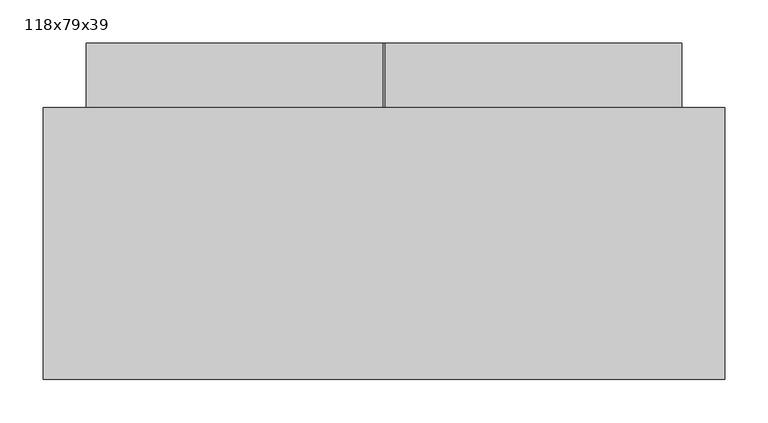
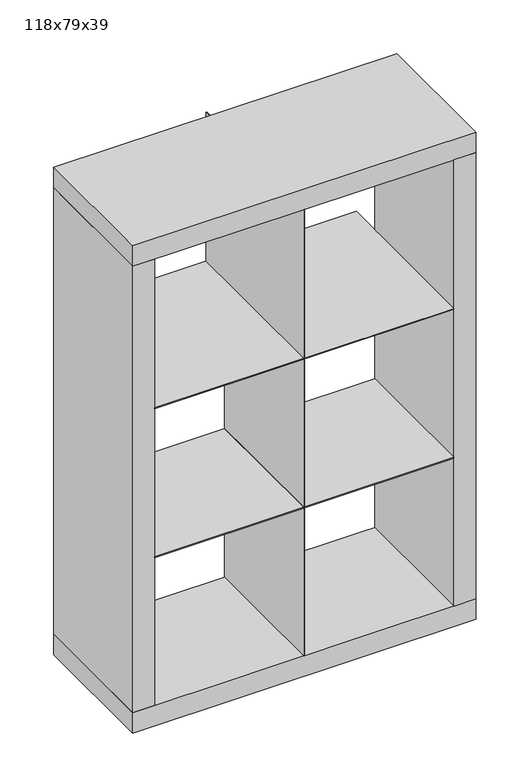
"""IFC4 building model written with IfcOpenShell, lengths in millimetres: proxy geometry, 118x79x39."""

from ifc_helpers import new_model, si_unit, frame, origin, place, context, project, spatial, polyline, outline, extrude, source, transform, mapped, element, save


def proxy_118x79x39_678008eb(model_context):
    return source(origin(), model_context, "Body", "SweptSolid", [
        extrude(outline(polyline([(271.0, -465.0), (269.0, -465.0), (269.0, -75.0), (271.0, -75.0), (271.0, -465.0)])), frame((0.0, 0.0, 1273.4), z_axis=(0.0, 0.0, 1.0), x_axis=(1.0, 0.0, 0.0)), (0.0, 0.0, 1.0), 361.6),
        extrude(outline(polyline([(615.0, -465.0), (-75.0, -465.0), (-75.0, -75.0), (615.0, -75.0), (615.0, -465.0)])), frame((0.0, 0.0, 1271.4), z_axis=(0.0, 0.0, 1.0), x_axis=(1.0, 0.0, 0.0)), (0.0, 0.0, 1.0), 2.0),
        extrude(outline(polyline([(271.0, -465.0), (269.0, -465.0), (269.0, -150.0), (271.0, -150.0), (271.0, -465.0)])), frame((0.0, 0.0, 550.0), z_axis=(0.0, 0.0, 1.0), x_axis=(1.0, 0.0, 0.0)), (0.0, 0.0, 1.0), 361.4),
        extrude(outline(polyline([(271.0, -465.0), (269.0, -465.0), (269.0, -150.0), (271.0, -150.0), (271.0, -465.0)])), frame((0.0, 0.0, 911.4), z_axis=(0.0, 0.0, 1.0), x_axis=(1.0, 0.0, 0.0)), (0.0, 0.0, 1.0), 362.0),
        extrude(outline(polyline([(615.0, -465.0), (-75.0, -465.0), (-75.0, -150.0), (615.0, -150.0), (615.0, -465.0)])), frame((0.0, 0.0, 909.4), z_axis=(0.0, 0.0, 1.0), x_axis=(1.0, 0.0, 0.0)), (0.0, 0.0, 1.0), 2.0),
        extrude(outline(polyline([(665.0, -465.0), (615.0, -465.0), (615.0, -150.0), (665.0, -150.0), (665.0, -465.0)])), frame((0.0, 0.0, 550.0), z_axis=(0.0, 0.0, 1.0), x_axis=(1.0, 0.0, 0.0)), (0.0, 0.0, 1.0), 1085.0),
        extrude(outline(polyline([(-75.0, -465.0), (-125.0, -465.0), (-125.0, -150.0), (-75.0, -150.0), (-75.0, -465.0)])), frame((0.0, 0.0, 550.0), z_axis=(0.0, 0.0, 1.0), x_axis=(1.0, 0.0, 0.0)), (0.0, 0.0, 1.0), 1085.0),
        extrude(outline(polyline([(665.0, -465.0), (-125.0, -465.0), (-125.0, -150.0), (665.0, -150.0), (665.0, -465.0)])), frame((0.0, 0.0, 500.0), z_axis=(0.0, 0.0, 1.0), x_axis=(1.0, 0.0, 0.0)), (0.0, 0.0, 1.0), 50.0),
        extrude(outline(polyline([(665.0, -465.0), (-125.0, -465.0), (-125.0, -150.0), (665.0, -150.0), (665.0, -465.0)])), frame((0.0, 0.0, 1635.0), z_axis=(0.0, 0.0, 1.0), x_axis=(1.0, 0.0, 0.0)), (0.0, 0.0, 1.0), 50.0),
    ])


if __name__ == "__main__":
    model = new_model("IFC4")
    model_context = context("Model", 3, world=origin())
    ifc_project = project(units=[si_unit("LENGTHUNIT", "METRE", prefix="MILLI")], contexts=[model_context])
    site = spatial("IfcSite", under=ifc_project)
    building = spatial("IfcBuilding", under=site)
    placement = place(None, origin())
    proxy_118x79x39_shape = proxy_118x79x39_678008eb(model_context)
    element("IfcBuildingElementProxy", 1, Name="118x79x39", ObjectType="118x79x39", at=placement, inside=building, context=model_context, shape_type="MappedRepresentation", body=[
        mapped(proxy_118x79x39_shape, transform((0.0, 0.0, 0.0), x_axis=(1.0, 0.0, 0.0), y_axis=(0.0, 1.0, 0.0), z_axis=(0.0, 0.0, 1.0))),
    ])
    save(model, "model.ifc")
